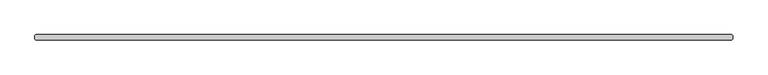
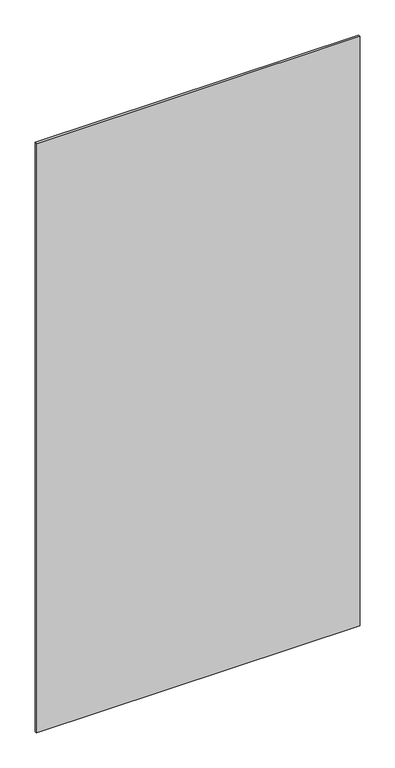
"""IFC4 building model written with IfcOpenShell, lengths in millimetres: plate geometry."""

import ifcopenshell
import ifcopenshell.guid

model = None  # the IFC model being written
_history = None  # IfcOwnerHistory: only IFC2X3 demands one
_inside = {}  # id of a spatial element -> (the spatial element, [elements in it])
_under = {}  # id of a project, library or spatial element -> (it, [spatial elements below it])
_declared = {}  # id of a project -> (the project, [libraries it declares])
_typed = {}  # id of a type object -> (the type object, [elements of that type])
_made_of = {}  # id of a material, layer set ... -> (it, [elements and type objects made of it])


def new_model(schema):
    """Start an empty IFC model of exactly this schema.

    Asked for "IFC4X3", IfcOpenShell would pick the latest addendum, in which some entities
    have other attributes; the version numbers below select the first issue.
    IFC2X3 requires an IfcOwnerHistory on every rooted entity: one is made here for all.
    """
    global model, _history
    if schema == "IFC4X3":
        model = ifcopenshell.file(schema_version=(4, 3, 0, 0))
    else:
        model = ifcopenshell.file(schema=schema)
    _inside.clear()
    _under.clear()
    _declared.clear()
    _typed.clear()
    _made_of.clear()
    _history = None
    if model.schema == "IFC2X3":
        org = make("IfcOrganization", Name="unknown")
        user = make(
            "IfcPersonAndOrganization",
            ThePerson=make("IfcPerson", FamilyName="unknown"),
            TheOrganization=org,
        )
        app = make(
            "IfcApplication",
            ApplicationDeveloper=org,
            Version="unknown",
            ApplicationFullName="unknown",
            ApplicationIdentifier="unknown",
        )
        _history = make(
            "IfcOwnerHistory",
            OwningUser=user,
            OwningApplication=app,
            ChangeAction="ADDED",
            CreationDate=0,
        )
    return model


def make(cls, **values):
    """One entity of the class cls with the attributes given. An attribute that is None is left unset."""
    return model.create_entity(
        cls, **{name: value for name, value in values.items() if value is not None}
    )


def rooted(cls, **values):
    """An entity with a GlobalId (a new one), such as an element, a storey or a relation."""
    return make(cls, GlobalId=ifcopenshell.guid.new(), OwnerHistory=_history, **values)


def si_unit(unit_type, name, prefix=None):
    """IfcSIUnit, for example si_unit("LENGTHUNIT", "METRE", prefix="MILLI")."""
    return make("IfcSIUnit", UnitType=unit_type, Prefix=prefix, Name=name)


def assignment(units):
    """IfcUnitAssignment: the units of a project."""
    return None if units is None else make("IfcUnitAssignment", Units=units)


def point(xyz):
    """IfcCartesianPoint."""
    return None if xyz is None else make("IfcCartesianPoint", Coordinates=xyz)


def direction(xyz):
    """IfcDirection."""
    return None if xyz is None else make("IfcDirection", DirectionRatios=xyz)


def frame(location, z_axis=None, x_axis=None):
    """IfcAxis2Placement3D, a coordinate frame: its origin and axes. An axis left out is left unset."""
    return make(
        "IfcAxis2Placement3D",
        Location=point(location),
        Axis=direction(z_axis),
        RefDirection=direction(x_axis),
    )


def origin():
    """The frame at (0, 0, 0) with its axes left unset."""
    return frame((0.0, 0.0, 0.0))


def origin_with_axes():
    """The frame at (0, 0, 0) with the z axis (0, 0, 1) and the x axis (1, 0, 0) written out."""
    return frame((0.0, 0.0, 0.0), z_axis=(0.0, 0.0, 1.0), x_axis=(1.0, 0.0, 0.0))


def place(relative_to, where):
    """IfcLocalPlacement: puts the frame where relative to a parent placement (None: the world)."""
    return make(
        "IfcLocalPlacement", PlacementRelTo=relative_to, RelativePlacement=where
    )


def context(
    kind, dimensions, precision=None, world=None, true_north=None, identifier=None
):
    """IfcGeometricRepresentationContext, for example the 3D "Model" context."""
    return make(
        "IfcGeometricRepresentationContext",
        ContextIdentifier=identifier,
        ContextType=kind,
        CoordinateSpaceDimension=dimensions,
        Precision=precision,
        WorldCoordinateSystem=world,
        TrueNorth=true_north,
    )


def project(units=None, contexts=None):
    """IfcProject with its units and contexts."""
    return rooted(
        "IfcProject",
        Name="project",
        RepresentationContexts=contexts,
        UnitsInContext=assignment(units),
    )


def spatial(cls, under=None, at=None, **own):
    """A site, building, storey or space (cls), placed at a placement, below another one or the project."""
    s = rooted(cls, ObjectPlacement=at, **own)
    if under is not None:
        _under.setdefault(under.id(), (under, []))[1].append(s)
    return s


def polyline(points):
    """IfcPolyline through the points."""
    return make("IfcPolyline", Points=[point(p) for p in points])


def outline(outer, holes=None, kind="AREA"):
    """IfcArbitraryClosedProfileDef: a profile drawn as a closed curve; with holes, ...WithVoids."""
    if holes is None:
        return make("IfcArbitraryClosedProfileDef", ProfileType=kind, OuterCurve=outer)
    return make(
        "IfcArbitraryProfileDefWithVoids",
        ProfileType=kind,
        OuterCurve=outer,
        InnerCurves=holes,
    )


def extrude(swept, where, along, depth):
    """IfcExtrudedAreaSolid: the profile swept, set in the frame where, extruded along a direction by depth."""
    return make(
        "IfcExtrudedAreaSolid",
        SweptArea=swept,
        Position=where,
        ExtrudedDirection=direction(along),
        Depth=depth,
    )


def shape(context_of_items, identifier, shape_type, items):
    """IfcShapeRepresentation: the items that make up one representation, for example the "Body"."""
    return make(
        "IfcShapeRepresentation",
        ContextOfItems=context_of_items,
        RepresentationIdentifier=identifier,
        RepresentationType=shape_type,
        Items=items,
    )


def source(mapping_origin, context_of_items, identifier, shape_type, items):
    """IfcRepresentationMap: a shape defined once, which mapped items show again and again."""
    return make(
        "IfcRepresentationMap",
        MappingOrigin=mapping_origin,
        MappedRepresentation=shape(context_of_items, identifier, shape_type, items),
    )


def transform(
    local_origin,
    x_axis=None,
    y_axis=None,
    z_axis=None,
    scale=None,
    scale2=None,
    scale3=None,
    uniform=True,
):
    """IfcCartesianTransformationOperator3D, or its non-uniform kind. x_axis, y_axis, z_axis: its Axis1, 2, 3."""
    if uniform:
        return make(
            "IfcCartesianTransformationOperator3D",
            Axis1=direction(x_axis),
            Axis2=direction(y_axis),
            LocalOrigin=point(local_origin),
            Scale=scale,
            Axis3=direction(z_axis),
        )
    return make(
        "IfcCartesianTransformationOperator3DnonUniform",
        Axis1=direction(x_axis),
        Axis2=direction(y_axis),
        LocalOrigin=point(local_origin),
        Scale=scale,
        Axis3=direction(z_axis),
        Scale2=scale2,
        Scale3=scale3,
    )


def mapped(mapping_source, mapping_target):
    """IfcMappedItem: shows the shape of a source again, moved by a transform."""
    return make(
        "IfcMappedItem", MappingSource=mapping_source, MappingTarget=mapping_target
    )


def made_of(thing, what):
    """Note that an element or type object is made of a material, layer set ...; save() writes the relation."""
    if what is not None:
        _made_of.setdefault(what.id(), (what, []))[1].append(thing)
    return thing


def element(
    cls,
    number,
    at=None,
    inside=None,
    cuts=None,
    type_object=None,
    material=None,
    context=None,
    identifier="Body",
    shape_type=None,
    held_by="IfcProductDefinitionShape",
    body=None,
    shapes=None,
    **own,
):
    """One element of the class cls, such as IfcWall. Its Tag is "e" and its number.

    at: its placement. inside: the storey or other place that contains it. cuts: it is an
    opening in that element (IfcRelVoidsElement). A single representation is given by context,
    identifier, shape_type and body (its items); several are given by shapes. held_by: the class
    of the entity that holds the representations. save() writes the other relations.
    """
    e = rooted(cls, Tag="e%d" % number, ObjectPlacement=at, **own)
    if body is not None:
        shapes = [shape(context, identifier, shape_type, body)]
    if shapes is not None:
        e.Representation = make(held_by, Representations=shapes)
    if inside is not None:
        _inside.setdefault(inside.id(), (inside, []))[1].append(e)
    if cuts is not None:
        rooted(
            "IfcRelVoidsElement", RelatingBuildingElement=cuts, RelatedOpeningElement=e
        )
    if type_object is not None:
        _typed.setdefault(type_object.id(), (type_object, []))[1].append(e)
    return made_of(e, material)


def aggregate(whole, parts):
    """IfcRelAggregates: a whole, such as a stair, and the parts it consists of."""
    return rooted("IfcRelAggregates", RelatingObject=whole, RelatedObjects=parts)


def save(model, path):
    """Write the relations noted so far, then the file.

    IfcRelAggregates (storeys below a building ...), IfcRelContainedInSpatialStructure (elements
    in a storey), IfcRelDefinesByType, IfcRelAssociatesMaterial and IfcRelDeclares: one each for
    every whole, place, type object, material and project.
    """
    for whole, parts in _under.values():
        aggregate(whole, parts)
    for where, things in _inside.values():
        rooted(
            "IfcRelContainedInSpatialStructure",
            RelatedElements=things,
            RelatingStructure=where,
        )
    for kind, things in _typed.values():
        rooted("IfcRelDefinesByType", RelatedObjects=things, RelatingType=kind)
    for what, things in _made_of.values():
        rooted("IfcRelAssociatesMaterial", RelatedObjects=things, RelatingMaterial=what)
    for by, libraries in _declared.values():
        rooted("IfcRelDeclares", RelatingContext=by, RelatedDefinitions=libraries)
    model.write(path)


def plate_900b04d4(model_context):
    return source(origin(), model_context, "Body", "SweptSolid", [
        extrude(outline(polyline([(629.840625, -4.7625), (-629.840625, -4.7625), (-631.428125, -3.175), (-631.428125, 3.175), (-629.840625, 4.7625), (629.840625, 4.7625), (631.428125, 3.175), (631.428125, -3.175), (629.840625, -4.7625)])), origin_with_axes(), (0.0, 0.0, 1.0), 2427.1914267),
    ])


if __name__ == "__main__":
    model = new_model("IFC4")
    model_context = context("Model", 3, world=origin())
    ifc_project = project(units=[si_unit("LENGTHUNIT", "METRE", prefix="MILLI")], contexts=[model_context])
    site = spatial("IfcSite", under=ifc_project)
    building = spatial("IfcBuilding", under=site)
    placement = place(None, origin())
    plate_shape = plate_900b04d4(model_context)
    element("IfcPlate", 1, at=placement, inside=building, context=model_context, shape_type="MappedRepresentation", body=[
        mapped(plate_shape, transform((0.0, 0.0, 0.0), x_axis=(1.0, 0.0, 0.0), y_axis=(0.0, 1.0, 0.0), z_axis=(0.0, 0.0, 1.0))),
    ])
    save(model, "model.ifc")
